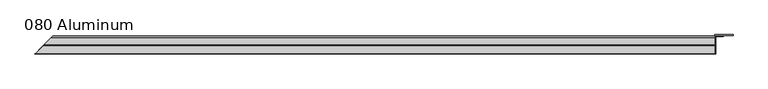
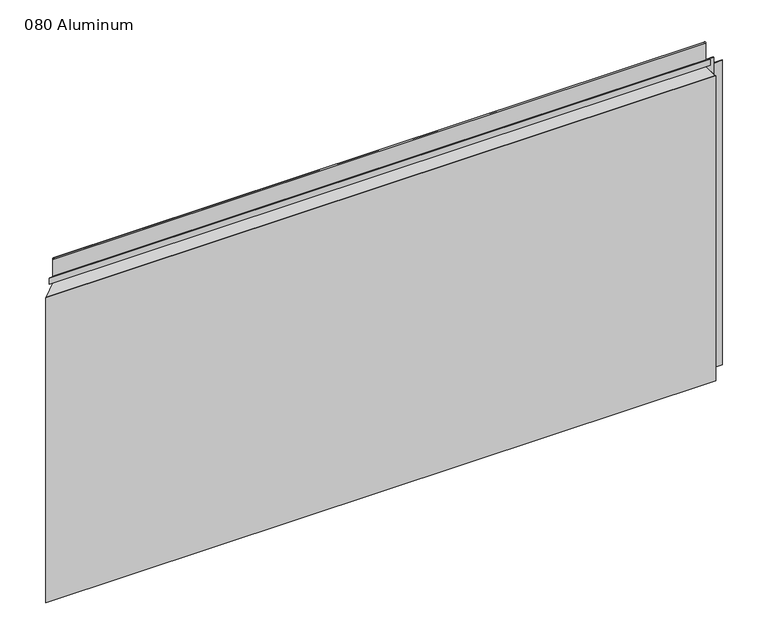
"""IFC4 building model written with IfcOpenShell, lengths in millimetres: plate geometry, 080 Aluminum."""

from ifc_helpers import new_model, si_unit, frame, origin, origin_with_axes, place, context, project, spatial, polyline, circle_curve, ellipse_curve, outline, extrude, source, transform, mapped, element, save
from ifc_brep_helpers import plane_surface, cylinder_surface, revolved_surface, advanced_brep


def plate_080_aluminum_be1cd373(model_context):
    return source(origin(), model_context, "Body", "SolidModel", [
        advanced_brep(
        [(608.0252, -16.6765477, 13.1458337), (608.0252, -23.0264743, 13.124237), (608.0252, -23.0264743, 1.2693678), (608.0252, -34.7980002, 1.2693678), (608.0252, -34.7980002, 0.0), (608.0252, -21.7564743, 0.0), (608.0252, -21.7564743, 13.124237), (608.0252, -17.9464915, 13.1323356), (608.0252, -17.9464915, 2.786437), (608.0252, -16.6765477, 2.786437), (-638.6717477, -16.6765477, 2.786437), (-638.6717477, -16.6765477, 13.1458337), (-639.9416915, -17.9464915, 2.786437), (-639.9416915, -17.9464915, 13.1323356), (-643.7516743, -21.7564743, 13.124237), (-643.7516743, -21.7564743, 0.0), (-656.7932, -34.7980002, 0.0), (-656.7932, -34.7980002, 1.2693678), (-645.0216743, -23.0264743, 1.2693678), (-645.0216743, -23.0264743, 13.124237)],
        [
            (0, 1, circle_curve(frame((608.0252, -19.8514743, 13.124237), z_axis=(1.0, 0.0, 0.0), x_axis=(0.0, 0.0, -1.0)), 3.175)),
            (1, 2),
            (2, 3),
            (3, 4),
            (4, 5),
            (5, 6),
            (6, 7, circle_curve(frame((608.0252, -19.8514743, 13.124237), z_axis=(-1.0, 0.0, 0.0), x_axis=(0.0, 0.0, -1.0)), 1.905)),
            (7, 8),
            (8, 9),
            (9, 0),
            (9, 10),
            (10, 11),
            (11, 0),
            (8, 12),
            (12, 10),
            (7, 13),
            (13, 12),
            (6, 14),
            (14, 13, ellipse_curve(frame((-641.8466743, -19.8514743, 13.124237), z_axis=(-0.7071067811865468, 0.7071067811865483, 0.0), x_axis=(0.7071067811865482, 0.7071067811865468, 0.0)), 2.6940768, 1.905)),
            (5, 15),
            (15, 14),
            (4, 16),
            (16, 15),
            (3, 17),
            (17, 16),
            (2, 18),
            (18, 17),
            (1, 19),
            (19, 18),
            (11, 19, ellipse_curve(frame((-641.8466743, -19.8514743, 13.124237), z_axis=(0.7071067811865468, -0.7071067811865483, 0.0), x_axis=(-0.7071067811865482, -0.7071067811865468, 0.0)), 4.4901281, 3.175)),
        ],
        [
            plane_surface(frame((608.0252, -36.068, 0.0), z_axis=(1.0, 0.0, 0.0), x_axis=(0.0, 0.0, 1.0))),
            plane_surface(frame((-656.7932, -16.6765477, 13.1458337), z_axis=(0.0, 1.0, 0.0), x_axis=(1.0, 0.0, 0.0))),
            plane_surface(frame((-656.7932, -16.6765477, 2.786437), z_axis=(0.0, 0.0, -1.0), x_axis=(1.0, 0.0, 0.0))),
            plane_surface(frame((-656.7932, -17.9464915, 2.786437), z_axis=(0.0, -1.0, 0.0), x_axis=(1.0, 0.0, 0.0))),
            revolved_surface(polyline([(608.0252000000002, -19.8514743, 11.219237000000001), (-643.7516743, -19.8514743, 11.219237000000001)]), (-656.7932, -19.8514743, 13.124237), (1.0, 0.0, 0.0)),
            plane_surface(frame((-656.7932, -21.7564743, 13.124237), z_axis=(0.0, 1.0, 0.0), x_axis=(1.0, 0.0, 0.0))),
            plane_surface(frame((-656.7932, -21.7564743, 0.0), z_axis=(0.0, 0.0, -1.0), x_axis=(1.0, 0.0, 0.0))),
            plane_surface(frame((-656.7932, -34.7980002, 0.0), z_axis=(0.0, -1.0, 0.0), x_axis=(1.0, 0.0, 0.0))),
            plane_surface(frame((-656.7932, -34.7980002, 1.2693678), z_axis=(0.0, 0.0, 1.0), x_axis=(1.0, 0.0, 0.0))),
            plane_surface(frame((-656.7932, -23.0264743, 1.2693678), z_axis=(0.0, -1.0, 0.0), x_axis=(1.0, 0.0, 0.0))),
            cylinder_surface(frame((-656.7932, -19.8514743, 13.124237), z_axis=(-1.0, 0.0, 0.0), x_axis=(0.0, 0.0, -1.0)), 3.175),
            plane_surface(frame((-658.0632, -36.068, 795.4549971), z_axis=(-0.7071067811865468, 0.7071067811865483, 0.0), x_axis=(0.0, 0.0, -1.0))),
        ],
        [
            (0, [[1, 2, 3, 4, 5, 6, 7, 8, 9, 10]]),
            (1, [[-10, 11, 12, 13]]),
            (2, [[-9, 14, 15, -11]]),
            (3, [[-8, 16, 17, -14]]),
            (4, [[-7, 18, 19, -16]]),
            (5, [[-6, 20, 21, -18]]),
            (6, [[-5, 22, 23, -20]]),
            (7, [[-4, 24, 25, -22]]),
            (8, [[-3, 26, 27, -24]]),
            (9, [[-2, 28, 29, -26]]),
            (10, [[-1, -13, 30, -28]]),
            (11, [[-12, -15, -17, -19, -21, -23, -25, -27, -29, -30]]),
        ],
    ),
        advanced_brep(
        [(608.0252, -2.0574743, 656.7932001), (608.0252, -5.3594742, 656.7932001), (608.0252, -5.3594742, 623.57), (608.0252, -19.2164743, 623.57), (608.0252, -19.2164743, 633.6538), (608.0252, -20.4864742, 633.6538), (608.0252, -20.4864742, 622.3), (608.0252, -4.0894742, 622.3), (608.0252, -4.0894742, 656.7932001), (608.0252, -3.3274743, 656.7932001), (608.0252, -3.3274743, 609.6000001), (608.0252, -34.7980002, 609.6000001), (608.0252, -34.7980002, 608.33), (608.0252, -2.0574743, 608.33), (-624.0526743, -2.0574743, 608.33), (-624.0526743, -2.0574743, 656.7932001), (-656.7932, -34.7980002, 608.33), (-656.7932, -34.7980002, 609.6000001), (-625.3226743, -3.3274743, 609.6000001), (-625.3226743, -3.3274743, 656.7932001), (-626.0846742, -4.0894742, 656.7932001), (-626.0846742, -4.0894742, 622.3), (-642.4816742, -20.4864742, 622.3), (-642.4816742, -20.4864742, 633.6538), (-641.2116743, -19.2164743, 633.6538), (-641.2116743, -19.2164743, 623.57), (-627.3546742, -5.3594742, 623.57), (-627.3546742, -5.3594742, 656.7932001)],
        [
            (0, 1, circle_curve(frame((608.0252, -3.7084742, 656.7932001), z_axis=(1.0, 0.0, 0.0), x_axis=(0.0, 0.0, -1.0)), 1.6509999)),
            (1, 2),
            (2, 3),
            (3, 4),
            (4, 5),
            (5, 6),
            (6, 7),
            (7, 8),
            (8, 9, circle_curve(frame((608.0252, -3.7084742, 656.7932001), z_axis=(-1.0, 0.0, 0.0), x_axis=(0.0, 0.0, -1.0)), 0.3809999)),
            (9, 10),
            (10, 11),
            (11, 12),
            (12, 13),
            (13, 0),
            (13, 14),
            (14, 15),
            (15, 0),
            (12, 16),
            (16, 14),
            (11, 17),
            (17, 16),
            (10, 18),
            (18, 17),
            (9, 19),
            (19, 18),
            (8, 20),
            (20, 19, ellipse_curve(frame((-625.7036742, -3.7084742, 656.7932001), z_axis=(-0.7071067811865468, 0.7071067811865483, 0.0), x_axis=(0.7071067811865482, 0.7071067811865468, 0.0)), 0.5388153, 0.3809999)),
            (7, 21),
            (21, 20),
            (6, 22),
            (22, 21),
            (5, 23),
            (23, 22),
            (4, 24),
            (24, 23),
            (3, 25),
            (25, 24),
            (2, 26),
            (26, 25),
            (1, 27),
            (27, 26),
            (15, 27, ellipse_curve(frame((-625.7036742, -3.7084742, 656.7932001), z_axis=(0.7071067811865468, -0.7071067811865483, 0.0), x_axis=(-0.7071067811865482, -0.7071067811865468, 0.0)), 2.3348665, 1.6509999)),
        ],
        [
            plane_surface(frame((608.0252, -36.068, 609.6), z_axis=(1.0, 0.0, 0.0), x_axis=(0.0, 0.0, 1.0))),
            plane_surface(frame((-656.7932, -2.0574743, 656.7932001), z_axis=(0.0, 1.0, 0.0), x_axis=(1.0, 0.0, 0.0))),
            plane_surface(frame((-656.7932, -2.0574743, 608.33), z_axis=(0.0, 0.0, -1.0), x_axis=(1.0, 0.0, 0.0))),
            plane_surface(frame((-656.7932, -34.7980002, 608.33), z_axis=(0.0, -1.0, 0.0), x_axis=(1.0, 0.0, 0.0))),
            plane_surface(frame((-656.7932, -34.7980002, 609.6000001), z_axis=(0.0, 0.0, 1.0), x_axis=(1.0, 0.0, 0.0))),
            plane_surface(frame((-656.7932, -3.3274743, 609.6000001), z_axis=(0.0, -1.0, 0.0), x_axis=(1.0, 0.0, 0.0))),
            revolved_surface(polyline([(608.0252000000002, -3.7084742, 656.4122002), (-626.0846742, -3.7084742, 656.4122002)]), (-656.7932, -3.7084742, 656.7932001), (1.0, 0.0, 0.0)),
            plane_surface(frame((-656.7932, -4.0894742, 656.7932001), z_axis=(0.0, 1.0, 0.0), x_axis=(1.0, 0.0, 0.0))),
            plane_surface(frame((-656.7932, -4.0894742, 622.3), z_axis=(0.0, 0.0, -1.0), x_axis=(1.0, 0.0, 0.0))),
            plane_surface(frame((-656.7932, -20.4864742, 622.3), z_axis=(0.0, -1.0, 0.0), x_axis=(1.0, 0.0, 0.0))),
            plane_surface(frame((-656.7932, -20.4864742, 633.6538), z_axis=(0.0, 0.0, 1.0), x_axis=(1.0, 0.0, 0.0))),
            plane_surface(frame((-656.7932, -19.2164743, 633.6538), z_axis=(0.0, 1.0, 0.0), x_axis=(1.0, 0.0, 0.0))),
            plane_surface(frame((-656.7932, -19.2164743, 623.57), z_axis=(0.0, 0.0, 1.0), x_axis=(1.0, 0.0, 0.0))),
            plane_surface(frame((-656.7932, -5.3594742, 623.57), z_axis=(0.0, -1.0, 0.0), x_axis=(1.0, 0.0, 0.0))),
            cylinder_surface(frame((-656.7932, -3.7084742, 656.7932001), z_axis=(-1.0, 0.0, 0.0), x_axis=(0.0, 0.0, -1.0)), 1.6509999),
            plane_surface(frame((-658.0632, -36.068, 795.4549971), z_axis=(-0.7071067811865468, 0.7071067811865483, 0.0), x_axis=(0.0, 0.0, -1.0))),
        ],
        [
            (0, [[1, 2, 3, 4, 5, 6, 7, 8, 9, 10, 11, 12, 13, 14]]),
            (1, [[-14, 15, 16, 17]]),
            (2, [[-13, 18, 19, -15]]),
            (3, [[-12, 20, 21, -18]]),
            (4, [[-11, 22, 23, -20]]),
            (5, [[-10, 24, 25, -22]]),
            (6, [[-9, 26, 27, -24]]),
            (7, [[-8, 28, 29, -26]]),
            (8, [[-7, 30, 31, -28]]),
            (9, [[-6, 32, 33, -30]]),
            (10, [[-5, 34, 35, -32]]),
            (11, [[-4, 36, 37, -34]]),
            (12, [[-3, 38, 39, -36]]),
            (13, [[-2, 40, 41, -38]]),
            (14, [[-1, -17, 42, -40]]),
            (15, [[-16, -19, -21, -23, -25, -27, -29, -31, -33, -35, -37, -39, -41, -42]]),
        ],
    ),
        extrude(outline(polyline([(609.2952, -34.7980001), (609.2952, -36.068), (-658.0632, -36.068), (-656.7932001, -34.7980001), (609.2952, -34.7980001)])), origin_with_axes(), (0.0, 0.0, 1.0), 609.6),
        extrude(outline(polyline([(609.2952, -1.2699999), (609.2952, -34.7980002), (608.0252001, -34.7980002), (608.0252001, 0.0), (641.8072856, 0.0), (641.8072856, -1.2699999), (609.2952, -1.2699999)])), origin_with_axes(), (0.0, 0.0, 1.0), 608.33),
        extrude(outline(polyline([(608.0252, -3.3274743), (608.0252, -2.0574743), (623.7731999, -2.0574743), (623.7731999, -3.3274743), (608.0252, -3.3274743)])), origin_with_axes(), (0.0, 0.0, 1.0), 622.3),
    ])


if __name__ == "__main__":
    model = new_model("IFC4")
    model_context = context("Model", 3, world=origin())
    ifc_project = project(units=[si_unit("LENGTHUNIT", "METRE", prefix="MILLI")], contexts=[model_context])
    site = spatial("IfcSite", under=ifc_project)
    building = spatial("IfcBuilding", under=site)
    placement = place(None, origin())
    plate_080_aluminum_shape = plate_080_aluminum_be1cd373(model_context)
    element("IfcPlate", 1, ObjectType="080 Aluminum", at=placement, inside=building, context=model_context, shape_type="MappedRepresentation", body=[
        mapped(plate_080_aluminum_shape, transform((0.0, 0.0, 0.0), x_axis=(1.0, 0.0, 0.0), y_axis=(0.0, 1.0, 0.0), z_axis=(0.0, 0.0, 1.0))),
    ])
    save(model, "model.ifc")
